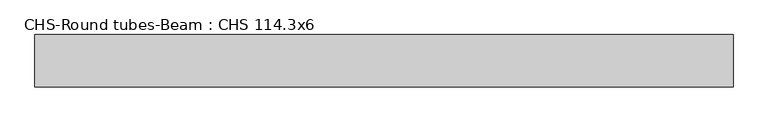
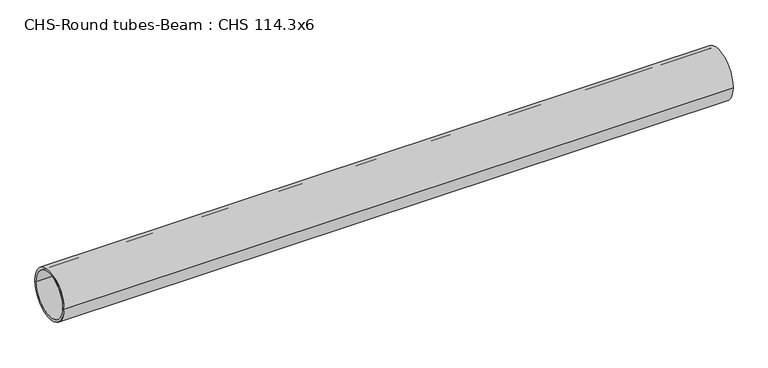
"""IFC4 building model written with IfcOpenShell, lengths in millimetres: beam geometry, CHS-Round tubes-Beam : CHS 114.3x6."""

from ifc_helpers import new_model, si_unit, point, frame, origin, origin_2d, place, context, project, spatial, circle_curve, trimmed, segment, composite_curve, outline, extrude, source, transform, mapped, element, save


def chs_round_tubes_beam_chs_114_3x6_800f6644(model_context):
    return source(origin(), model_context, "Body", "SweptSolid", [
        extrude(outline(composite_curve([segment(trimmed(circle_curve(origin_2d(), 57.15), [point((57.15, 0.0))], [point((-57.15, 0.0))], False, "CARTESIAN"), True, "CONTINUOUS"), segment(trimmed(circle_curve(origin_2d(), 57.15), [point((-57.15, 0.0))], [point((57.15, 0.0))], False, "CARTESIAN"), True, "CONTINUOUS")], self_intersect=False), holes=[composite_curve([segment(trimmed(circle_curve(origin_2d(), 51.15), [point((51.15, 0.0))], [point((-51.15, 0.0))], True, "CARTESIAN"), True, "CONTINUOUS"), segment(trimmed(circle_curve(origin_2d(), 51.15), [point((-51.15, 0.0))], [point((51.15, 0.0))], True, "CARTESIAN"), True, "CONTINUOUS")], self_intersect=False)]), frame((-744.4842906, 0.0, 0.0), z_axis=(1.0, 0.0, 0.0), x_axis=(0.0, 1.0, 0.0)), (0.0, 0.0, 1.0), 1521.935529),
    ])


if __name__ == "__main__":
    model = new_model("IFC4")
    model_context = context("Model", 3, world=origin())
    ifc_project = project(units=[si_unit("LENGTHUNIT", "METRE", prefix="MILLI")], contexts=[model_context])
    site = spatial("IfcSite", under=ifc_project)
    building = spatial("IfcBuilding", under=site)
    placement = place(None, origin())
    chs_round_tubes_beam_chs_114_3x6_shape = chs_round_tubes_beam_chs_114_3x6_800f6644(model_context)
    element("IfcBeam", 1, ObjectType="CHS-Round tubes-Beam : CHS 114.3x6", at=placement, inside=building, context=model_context, shape_type="MappedRepresentation", body=[
        mapped(chs_round_tubes_beam_chs_114_3x6_shape, transform((0.0, 0.0, 0.0), x_axis=(1.0, 0.0, 0.0), y_axis=(0.0, 1.0, 0.0), z_axis=(0.0, 0.0, 1.0))),
    ])
    save(model, "model.ifc")
